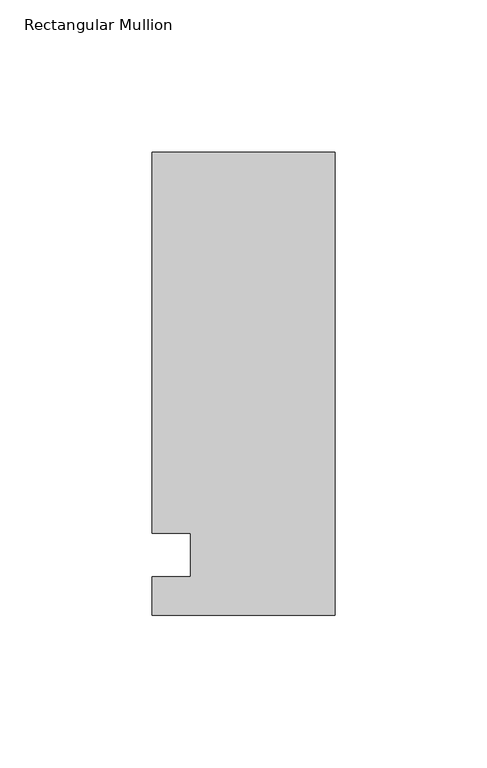
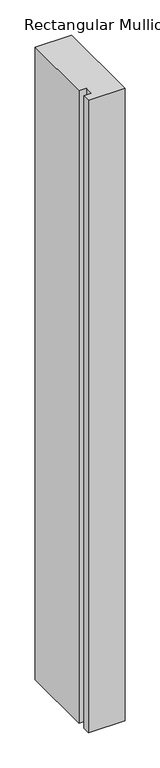
"""IFC4 building model written with IfcOpenShell, lengths in millimetres: member geometry, Rectangular Mullion."""

from ifc_helpers import new_model, si_unit, frame, origin, place, context, project, spatial, polyline, outline, extrude, source, transform, mapped, element, save


def rectangular_mullion_2a526fce(model_context):
    return source(origin(), model_context, "Body", "SweptSolid", [
        extrude(outline(polyline([(-60.325, 132.55625), (0.0, 132.55625), (0.0, -19.84375), (-60.325, -19.84375), (-60.325, -7.14375), (-47.625, -7.14375), (-47.625, 7.14375), (-60.325, 7.14375), (-60.325, 132.55625)])), frame((0.0, 0.0, -1099.7094027), z_axis=(0.0, 0.0, 1.0), x_axis=(1.0, 0.0, 0.0)), (0.0, 0.0, 1.0), 1099.7094027),
    ])


if __name__ == "__main__":
    model = new_model("IFC4")
    model_context = context("Model", 3, world=origin())
    ifc_project = project(units=[si_unit("LENGTHUNIT", "METRE", prefix="MILLI")], contexts=[model_context])
    site = spatial("IfcSite", under=ifc_project)
    building = spatial("IfcBuilding", under=site)
    placement = place(None, origin())
    rectangular_mullion_shape = rectangular_mullion_2a526fce(model_context)
    element("IfcMember", 1, ObjectType="Rectangular Mullion", at=placement, inside=building, context=model_context, shape_type="MappedRepresentation", body=[
        mapped(rectangular_mullion_shape, transform((0.0, 0.0, 0.0), x_axis=(1.0, 0.0, 0.0), y_axis=(0.0, 1.0, 0.0), z_axis=(0.0, 0.0, 1.0))),
    ])
    save(model, "model.ifc")
